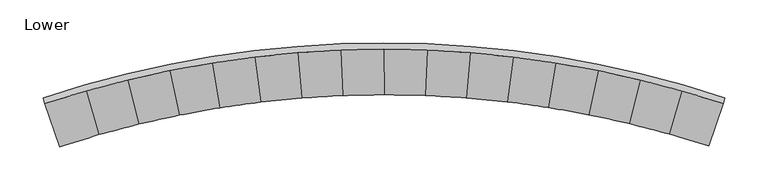
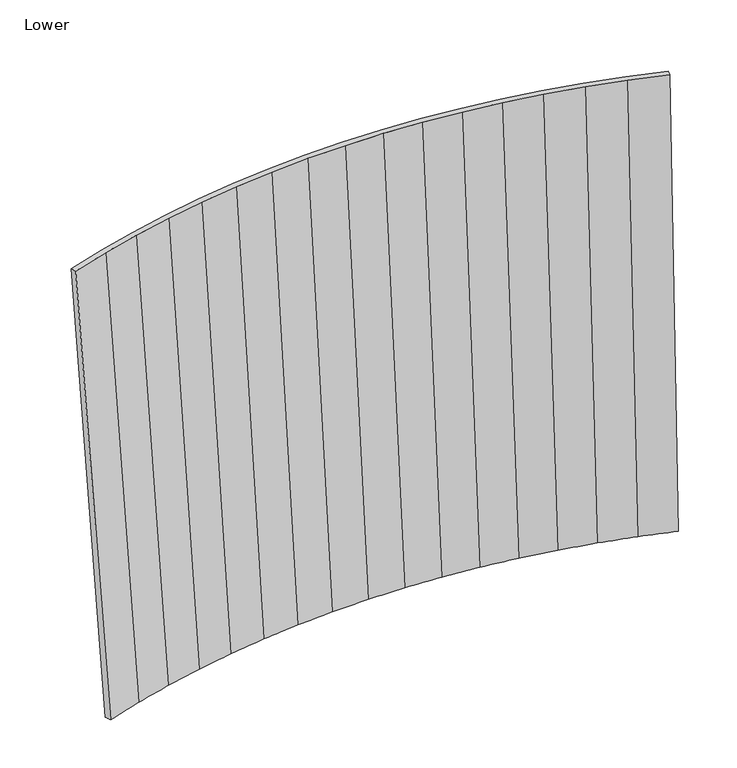
"""IFC4 building model written with IfcOpenShell, lengths in millimetres: furniture geometry, Lower."""

from ifc_helpers import new_model, si_unit, frame, origin, place, context, project, spatial, source, transform, mapped, element, save
from ifc_brep_helpers import plane_surface, spline_surface, advanced_brep


def lower_eb1f1660(model_context):
    return source(origin(), model_context, "Body", "AdvancedBrep", [
        advanced_brep(
        [(-0.1583474, 40.0680712, 892.175), (2.0374185, 33.3822284, 892.175), (49.8943746, 48.1286348, 892.175), (98.3008676, 60.9565582, 892.175), (147.1800334, 71.8456192, 892.175), (196.4542514, 80.7785359, 892.175), (246.0452469, 87.7411106, 892.175), (295.874273, 92.7222927, 892.175), (345.8622102, 95.7141704, 892.175), (395.9296483, 96.7119929, 892.175), (445.9970864, 95.7141704, 892.175), (495.9850236, 92.7222927, 892.175), (545.8140678, 87.7411106, 892.175), (595.4050452, 80.7785359, 892.175), (644.6792542, 71.8456192, 892.175), (693.5584654, 60.9565536, 892.175), (741.9649584, 48.1286348, 892.175), (789.821921, 33.3822261, 892.175), (792.0176445, 40.0680757, 892.175), (743.9098251, 54.9808283, 892.175), (695.2430283, 67.9540053, 892.175), (646.0955194, 78.9667643, 892.175), (596.546182, 88.0014326, 892.175), (546.6746984, 95.0434901, 892.175), (496.5610422, 100.0816182, 892.175), (446.2858043, 103.1077417, 892.175), (395.9296483, 104.1169824, 892.175), (345.5735287, 103.1077417, 892.175), (295.2982726, 100.0816182, 892.175), (245.1846527, 95.043481, 892.175), (195.3131328, 88.0014326, 892.175), (145.7638226, 78.9667643, 892.175), (96.6163138, 67.9540008, 892.175), (47.9495351, 54.9808237, 892.175), (16.5387146, -9.3453423, 287.3616567), (62.6472526, 4.7057575, 287.3616567), (109.2754611, 16.9221843, 287.3616567), (156.3503584, 27.2848217, 287.3616567), (203.798298, 35.7774492, 287.3616567), (251.5449839, 42.3867796, 287.3616567), (299.5157477, 47.1024665, 287.3616567), (347.6354668, 49.9171339, 287.3616567), (395.828855, 50.8263762, 287.3616567), (444.0205356, 49.8287672, 287.3616567), (492.1350042, 46.9258693, 287.3616567), (540.0970476, 42.1222245, 287.3616567), (587.8315249, 35.425354, 287.3616567), (635.2638405, 26.845736, 287.3616567), (682.3196165, 16.3967962, 287.3616567), (728.9253473, 4.0948885, 287.3616567), (774.9954457, -10.0368623, 287.3616567), (772.9815971, -15.9343846, 287.3616567), (727.1559786, -1.9194069, 287.3616567), (680.8101156, 10.2655173, 287.3616567), (634.0171869, 20.6011817, 287.3616567), (586.8508072, 29.0712928, 287.3616567), (539.3854268, 35.6625034, 287.3616567), (491.6957869, 40.3644239, 287.3616567), (443.8571371, 43.1696397, 287.3616567), (395.9448, 44.0737269, 287.3616567), (348.0343523, 43.0752686, 287.3616567), (300.2013163, 40.1758317, 287.3616567), (252.5210508, 35.3799921, 287.3616567), (205.0687328, 28.6953052, 287.3616567), (157.919158, 20.1323081, 287.3616567), (111.1466314, 9.7044971, 287.3616567), (64.824904, -2.5716879, 287.3616567), (19.0269693, -16.6768993, 287.3616567)],
        [
            (0, 1),
            (1, 2),
            (2, 3),
            (3, 4),
            (4, 5),
            (5, 6),
            (6, 7),
            (7, 8),
            (8, 9),
            (9, 10),
            (10, 11),
            (11, 12),
            (12, 13),
            (13, 14),
            (14, 15),
            (15, 16),
            (16, 17),
            (17, 18),
            (18, 19),
            (19, 20),
            (20, 21),
            (21, 22),
            (22, 23),
            (23, 24),
            (24, 25),
            (25, 26),
            (26, 27),
            (27, 28),
            (28, 29),
            (29, 30),
            (30, 31),
            (31, 32),
            (32, 33),
            (33, 0),
            (34, 35),
            (35, 36),
            (36, 37),
            (37, 38),
            (38, 39),
            (39, 40),
            (40, 41),
            (41, 42),
            (42, 43),
            (43, 44),
            (44, 45),
            (45, 46),
            (46, 47),
            (47, 48),
            (48, 49),
            (49, 50),
            (50, 51),
            (51, 52),
            (52, 53),
            (53, 54),
            (54, 55),
            (55, 56),
            (56, 57),
            (57, 58),
            (58, 59),
            (59, 60),
            (60, 61),
            (61, 62),
            (62, 63),
            (63, 64),
            (64, 65),
            (65, 66),
            (66, 67),
            (67, 34),
            (67, 1),
            (0, 34),
            (66, 2),
            (65, 3),
            (64, 4),
            (63, 5),
            (62, 6),
            (61, 7),
            (60, 8),
            (59, 9),
            (58, 10),
            (57, 11),
            (56, 12),
            (55, 13),
            (54, 14),
            (53, 15),
            (52, 16),
            (51, 17),
            (50, 18),
            (49, 19),
            (48, 20),
            (47, 21),
            (46, 22),
            (45, 23),
            (44, 24),
            (43, 25),
            (42, 26),
            (41, 27),
            (40, 28),
            (39, 29),
            (38, 30),
            (37, 31),
            (36, 32),
            (35, 33),
        ],
        [
            plane_surface(frame((395.9296603, 76.4639752, 892.175), z_axis=(0.0, 0.0, 1.0), x_axis=(-0.9551612064767897, -0.29608625371976227, 0.0))),
            plane_surface(frame((395.8872192, 24.7191032, 287.3616567), z_axis=(0.0, 0.0, -1.0), x_axis=(-0.9551612064767897, -0.29608625371976227, 0.0))),
            spline_surface(1, 1, [[(16.5387146, -9.3453423, 287.3616567), (-0.1583474, 40.0680712, 892.175)], [(19.0269693, -16.6768993, 287.3616567), (2.0374185, 33.3822284, 892.175)]], [2, 2], [2, 2], [0.0, 1.0], [0.0, 1.0]),
            spline_surface(1, 1, [[(19.0269693, -16.6768993, 287.3616567), (2.0374185, 33.3822284, 892.175)], [(64.824904, -2.5716879, 287.3616567), (49.8943746, 48.1286348, 892.175)]], [2, 2], [2, 2], [0.0, 1.0], [0.0, 1.0]),
            spline_surface(1, 1, [[(64.824904, -2.5716879, 287.3616567), (49.8943746, 48.1286348, 892.175)], [(111.1466314, 9.7044971, 287.3616567), (98.3008676, 60.9565582, 892.175)]], [2, 2], [2, 2], [0.0, 1.0], [0.0, 1.0]),
            spline_surface(1, 1, [[(111.1466314, 9.7044971, 287.3616567), (98.3008676, 60.9565582, 892.175)], [(157.919158, 20.1323081, 287.3616567), (147.1800334, 71.8456192, 892.175)]], [2, 2], [2, 2], [0.0, 1.0], [0.0, 1.0]),
            spline_surface(1, 1, [[(157.919158, 20.1323081, 287.3616567), (147.1800334, 71.8456192, 892.175)], [(205.0687328, 28.6953052, 287.3616567), (196.4542514, 80.7785359, 892.175)]], [2, 2], [2, 2], [0.0, 1.0], [0.0, 1.0]),
            spline_surface(1, 1, [[(205.0687328, 28.6953052, 287.3616567), (196.4542514, 80.7785359, 892.175)], [(252.5210508, 35.3799921, 287.3616567), (246.0452469, 87.7411106, 892.175)]], [2, 2], [2, 2], [0.0, 1.0], [0.0, 1.0]),
            spline_surface(1, 1, [[(252.5210508, 35.3799921, 287.3616567), (246.0452469, 87.7411106, 892.175)], [(300.2013163, 40.1758317, 287.3616567), (295.874273, 92.7222927, 892.175)]], [2, 2], [2, 2], [0.0, 1.0], [0.0, 1.0]),
            spline_surface(1, 1, [[(300.2013163, 40.1758317, 287.3616567), (295.874273, 92.7222927, 892.175)], [(348.0343523, 43.0752686, 287.3616567), (345.8622102, 95.7141704, 892.175)]], [2, 2], [2, 2], [0.0, 1.0], [0.0, 1.0]),
            spline_surface(1, 1, [[(348.0343523, 43.0752686, 287.3616567), (345.8622102, 95.7141704, 892.175)], [(395.9448, 44.0737269, 287.3616567), (395.9296483, 96.7119929, 892.175)]], [2, 2], [2, 2], [0.0, 1.0], [0.0, 1.0]),
            spline_surface(1, 1, [[(395.9448, 44.0737269, 287.3616567), (395.9296483, 96.7119929, 892.175)], [(443.8571371, 43.1696397, 287.3616567), (445.9970864, 95.7141704, 892.175)]], [2, 2], [2, 2], [0.0, 1.0], [0.0, 1.0]),
            spline_surface(1, 1, [[(443.8571371, 43.1696397, 287.3616567), (445.9970864, 95.7141704, 892.175)], [(491.6957869, 40.3644239, 287.3616567), (495.9850236, 92.7222927, 892.175)]], [2, 2], [2, 2], [0.0, 1.0], [0.0, 1.0]),
            spline_surface(1, 1, [[(491.6957869, 40.3644239, 287.3616567), (495.9850236, 92.7222927, 892.175)], [(539.3854268, 35.6625034, 287.3616567), (545.8140678, 87.7411106, 892.175)]], [2, 2], [2, 2], [0.0, 1.0], [0.0, 1.0]),
            spline_surface(1, 1, [[(539.3854268, 35.6625034, 287.3616567), (545.8140678, 87.7411106, 892.175)], [(586.8508072, 29.0712928, 287.3616567), (595.4050452, 80.7785359, 892.175)]], [2, 2], [2, 2], [0.0, 1.0], [0.0, 1.0]),
            spline_surface(1, 1, [[(586.8508072, 29.0712928, 287.3616567), (595.4050452, 80.7785359, 892.175)], [(634.0171869, 20.6011817, 287.3616567), (644.6792542, 71.8456192, 892.175)]], [2, 2], [2, 2], [0.0, 1.0], [0.0, 1.0]),
            spline_surface(1, 1, [[(634.0171869, 20.6011817, 287.3616567), (644.6792542, 71.8456192, 892.175)], [(680.8101156, 10.2655173, 287.3616567), (693.5584654, 60.9565536, 892.175)]], [2, 2], [2, 2], [0.0, 1.0], [0.0, 1.0]),
            spline_surface(1, 1, [[(680.8101156, 10.2655173, 287.3616567), (693.5584654, 60.9565536, 892.175)], [(727.1559786, -1.9194069, 287.3616567), (741.9649584, 48.1286348, 892.175)]], [2, 2], [2, 2], [0.0, 1.0], [0.0, 1.0]),
            spline_surface(1, 1, [[(727.1559786, -1.9194069, 287.3616567), (741.9649584, 48.1286348, 892.175)], [(772.9815971, -15.9343846, 287.3616567), (789.821921, 33.3822261, 892.175)]], [2, 2], [2, 2], [0.0, 1.0], [0.0, 1.0]),
            spline_surface(1, 1, [[(772.9815971, -15.9343846, 287.3616567), (789.821921, 33.3822261, 892.175)], [(774.9954457, -10.0368623, 287.3616567), (792.0176445, 40.0680757, 892.175)]], [2, 2], [2, 2], [0.0, 1.0], [0.0, 1.0]),
            spline_surface(1, 1, [[(774.9954457, -10.0368623, 287.3616567), (792.0176445, 40.0680757, 892.175)], [(728.9253473, 4.0948885, 287.3616567), (743.9098251, 54.9808283, 892.175)]], [2, 2], [2, 2], [0.0, 1.0], [0.0, 1.0]),
            spline_surface(1, 1, [[(728.9253473, 4.0948885, 287.3616567), (743.9098251, 54.9808283, 892.175)], [(682.3196165, 16.3967962, 287.3616567), (695.2430283, 67.9540053, 892.175)]], [2, 2], [2, 2], [0.0, 1.0], [0.0, 1.0]),
            spline_surface(1, 1, [[(682.3196165, 16.3967962, 287.3616567), (695.2430283, 67.9540053, 892.175)], [(635.2638405, 26.845736, 287.3616567), (646.0955194, 78.9667643, 892.175)]], [2, 2], [2, 2], [0.0, 1.0], [0.0, 1.0]),
            spline_surface(1, 1, [[(635.2638405, 26.845736, 287.3616567), (646.0955194, 78.9667643, 892.175)], [(587.8315249, 35.425354, 287.3616567), (596.546182, 88.0014326, 892.175)]], [2, 2], [2, 2], [0.0, 1.0], [0.0, 1.0]),
            spline_surface(1, 1, [[(587.8315249, 35.425354, 287.3616567), (596.546182, 88.0014326, 892.175)], [(540.0970476, 42.1222245, 287.3616567), (546.6746984, 95.0434901, 892.175)]], [2, 2], [2, 2], [0.0, 1.0], [0.0, 1.0]),
            spline_surface(1, 1, [[(540.0970476, 42.1222245, 287.3616567), (546.6746984, 95.0434901, 892.175)], [(492.1350042, 46.9258693, 287.3616567), (496.5610422, 100.0816182, 892.175)]], [2, 2], [2, 2], [0.0, 1.0], [0.0, 1.0]),
            spline_surface(1, 1, [[(492.1350042, 46.9258693, 287.3616567), (496.5610422, 100.0816182, 892.175)], [(444.0205356, 49.8287672, 287.3616567), (446.2858043, 103.1077417, 892.175)]], [2, 2], [2, 2], [0.0, 1.0], [0.0, 1.0]),
            spline_surface(1, 1, [[(444.0205356, 49.8287672, 287.3616567), (446.2858043, 103.1077417, 892.175)], [(395.828855, 50.8263762, 287.3616567), (395.9296483, 104.1169824, 892.175)]], [2, 2], [2, 2], [0.0, 1.0], [0.0, 1.0]),
            spline_surface(1, 1, [[(395.828855, 50.8263762, 287.3616567), (395.9296483, 104.1169824, 892.175)], [(347.6354668, 49.9171339, 287.3616567), (345.5735287, 103.1077417, 892.175)]], [2, 2], [2, 2], [0.0, 1.0], [0.0, 1.0]),
            spline_surface(1, 1, [[(347.6354668, 49.9171339, 287.3616567), (345.5735287, 103.1077417, 892.175)], [(299.5157477, 47.1024665, 287.3616567), (295.2982726, 100.0816182, 892.175)]], [2, 2], [2, 2], [0.0, 1.0], [0.0, 1.0]),
            spline_surface(1, 1, [[(299.5157477, 47.1024665, 287.3616567), (295.2982726, 100.0816182, 892.175)], [(251.5449839, 42.3867796, 287.3616567), (245.1846527, 95.043481, 892.175)]], [2, 2], [2, 2], [0.0, 1.0], [0.0, 1.0]),
            spline_surface(1, 1, [[(251.5449839, 42.3867796, 287.3616567), (245.1846527, 95.043481, 892.175)], [(203.798298, 35.7774492, 287.3616567), (195.3131328, 88.0014326, 892.175)]], [2, 2], [2, 2], [0.0, 1.0], [0.0, 1.0]),
            spline_surface(1, 1, [[(203.798298, 35.7774492, 287.3616567), (195.3131328, 88.0014326, 892.175)], [(156.3503584, 27.2848217, 287.3616567), (145.7638226, 78.9667643, 892.175)]], [2, 2], [2, 2], [0.0, 1.0], [0.0, 1.0]),
            spline_surface(1, 1, [[(156.3503584, 27.2848217, 287.3616567), (145.7638226, 78.9667643, 892.175)], [(109.2754611, 16.9221843, 287.3616567), (96.6163138, 67.9540008, 892.175)]], [2, 2], [2, 2], [0.0, 1.0], [0.0, 1.0]),
            spline_surface(1, 1, [[(109.2754611, 16.9221843, 287.3616567), (96.6163138, 67.9540008, 892.175)], [(62.6472526, 4.7057575, 287.3616567), (47.9495351, 54.9808237, 892.175)]], [2, 2], [2, 2], [0.0, 1.0], [0.0, 1.0]),
            spline_surface(1, 1, [[(62.6472526, 4.7057575, 287.3616567), (47.9495351, 54.9808237, 892.175)], [(16.5387146, -9.3453423, 287.3616567), (-0.1583474, 40.0680712, 892.175)]], [2, 2], [2, 2], [0.0, 1.0], [0.0, 1.0]),
        ],
        [
            (0, [[1, 2, 3, 4, 5, 6, 7, 8, 9, 10, 11, 12, 13, 14, 15, 16, 17, 18, 19, 20, 21, 22, 23, 24, 25, 26, 27, 28, 29, 30, 31, 32, 33, 34]]),
            (1, [[35, 36, 37, 38, 39, 40, 41, 42, 43, 44, 45, 46, 47, 48, 49, 50, 51, 52, 53, 54, 55, 56, 57, 58, 59, 60, 61, 62, 63, 64, 65, 66, 67, 68]]),
            (2, [[-68, 69, -1, 70]]),
            (3, [[-67, 71, -2, -69]]),
            (4, [[-66, 72, -3, -71]]),
            (5, [[-65, 73, -4, -72]]),
            (6, [[-64, 74, -5, -73]]),
            (7, [[-63, 75, -6, -74]]),
            (8, [[-62, 76, -7, -75]]),
            (9, [[-61, 77, -8, -76]]),
            (10, [[-60, 78, -9, -77]]),
            (11, [[-59, 79, -10, -78]]),
            (12, [[-58, 80, -11, -79]]),
            (13, [[-57, 81, -12, -80]]),
            (14, [[-56, 82, -13, -81]]),
            (15, [[-55, 83, -14, -82]]),
            (16, [[-54, 84, -15, -83]]),
            (17, [[-53, 85, -16, -84]]),
            (18, [[-52, 86, -17, -85]]),
            (19, [[-51, 87, -18, -86]]),
            (20, [[-50, 88, -19, -87]]),
            (21, [[-49, 89, -20, -88]]),
            (22, [[-48, 90, -21, -89]]),
            (23, [[-47, 91, -22, -90]]),
            (24, [[-46, 92, -23, -91]]),
            (25, [[-45, 93, -24, -92]]),
            (26, [[-44, 94, -25, -93]]),
            (27, [[-43, 95, -26, -94]]),
            (28, [[-42, 96, -27, -95]]),
            (29, [[-41, 97, -28, -96]]),
            (30, [[-40, 98, -29, -97]]),
            (31, [[-39, 99, -30, -98]]),
            (32, [[-38, 100, -31, -99]]),
            (33, [[-37, 101, -32, -100]]),
            (34, [[-36, 102, -33, -101]]),
            (35, [[-35, -70, -34, -102]]),
        ],
    ),
    ])


if __name__ == "__main__":
    model = new_model("IFC4")
    model_context = context("Model", 3, world=origin())
    ifc_project = project(units=[si_unit("LENGTHUNIT", "METRE", prefix="MILLI")], contexts=[model_context])
    site = spatial("IfcSite", under=ifc_project)
    building = spatial("IfcBuilding", under=site)
    placement = place(None, origin())
    lower_shape = lower_eb1f1660(model_context)
    element("IfcFurniture", 1, ObjectType="Lower", at=placement, inside=building, context=model_context, shape_type="MappedRepresentation", body=[
        mapped(lower_shape, transform((0.0, 0.0, 0.0), x_axis=(1.0, 0.0, 0.0), y_axis=(0.0, 1.0, 0.0), z_axis=(0.0, 0.0, 1.0))),
    ])
    save(model, "model.ifc")
